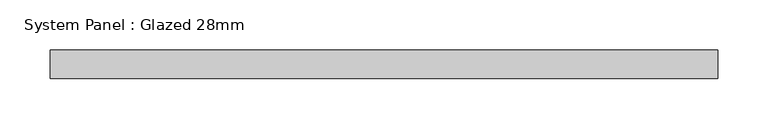
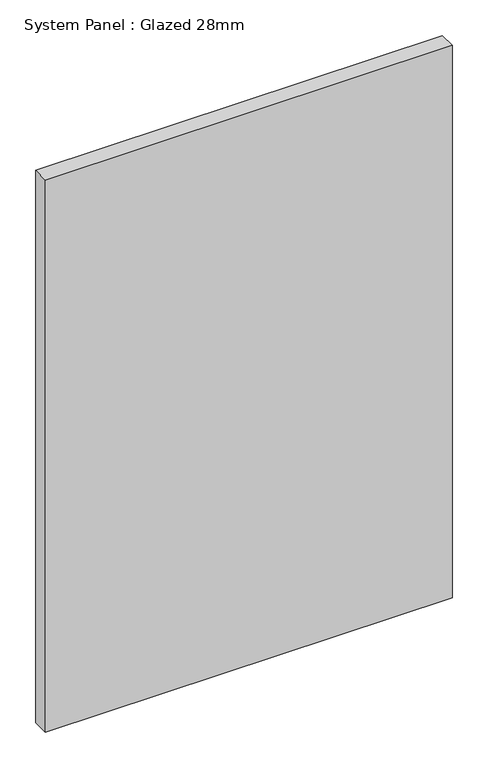
"""IFC4 building model written with IfcOpenShell, lengths in millimetres: plate geometry, System Panel : Glazed 28mm."""

from ifc_helpers import new_model, si_unit, origin, origin_with_axes, place, context, project, spatial, polyline, outline, extrude, source, transform, mapped, element, save


def system_panel_glazed_28mm_10fde597(model_context):
    return source(origin(), model_context, "Body", "SweptSolid", [
        extrude(outline(polyline([(330.5994055, -14.0), (-330.5994055, -14.0), (-330.5994055, 14.0), (330.5994055, 14.0), (330.5994055, -14.0)])), origin_with_axes(), (0.0, 0.0, 1.0), 948.7002048),
    ])


if __name__ == "__main__":
    model = new_model("IFC4")
    model_context = context("Model", 3, world=origin())
    ifc_project = project(units=[si_unit("LENGTHUNIT", "METRE", prefix="MILLI")], contexts=[model_context])
    site = spatial("IfcSite", under=ifc_project)
    building = spatial("IfcBuilding", under=site)
    placement = place(None, origin())
    system_panel_glazed_28mm_shape = system_panel_glazed_28mm_10fde597(model_context)
    element("IfcPlate", 1, ObjectType="System Panel : Glazed 28mm", at=placement, inside=building, context=model_context, shape_type="MappedRepresentation", body=[
        mapped(system_panel_glazed_28mm_shape, transform((0.0, 0.0, 0.0), x_axis=(1.0, 0.0, 0.0), y_axis=(0.0, 1.0, 0.0), z_axis=(0.0, 0.0, 1.0))),
    ])
    save(model, "model.ifc")
